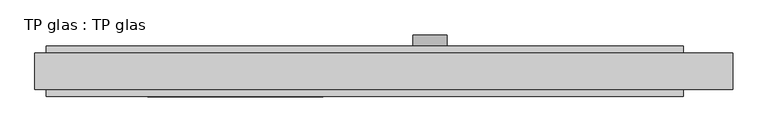
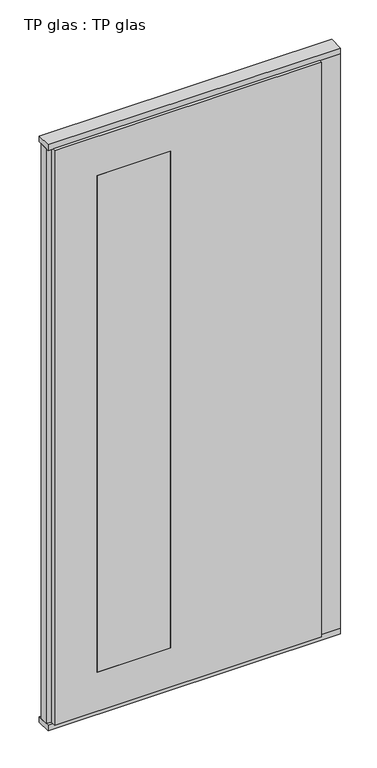
"""IFC4 building model written with IfcOpenShell, lengths in millimetres: plate geometry, TP glas : TP glas."""

from ifc_helpers import new_model, si_unit, point, frame, frame_2d, origin, origin_with_axes, place, context, project, spatial, polyline, circle_curve, trimmed, segment, composite_curve, outline, extrude, faceted_brep, source, transform, mapped, element, save


def tp_glas_tp_glas_cf4a09a2(model_context):
    return source(origin(), model_context, "Body", "SolidModel", [
        faceted_brep([(-600.0, 22.9993165, 25.0), (-600.0, 22.9993165, 2602.0), (-600.0, 45.0, 2602.0), (-600.0, 45.0, 25.0), (-620.0, 17.6401049, 25.0), (-620.0, 17.6401049, 2602.0), (-620.0, -17.6401049, 25.0), (-620.0, -17.6401049, 2602.0), (-600.0, -22.9993165, 25.0), (-600.0, -22.9993165, 2602.0), (-600.0, -45.0, 25.0), (-600.0, -45.0, 2602.0), (532.0507813, -45.0, 25.0), (532.0507813, 45.0, 25.0), (532.0507813, 30.5, 25.0), (620.0, 30.5, 25.0), (620.0, -30.5, 25.0), (532.0507813, -30.5, 25.0), (532.0507813, -30.5, 2602.0), (532.0507813, -45.0, 2602.0), (620.0, -30.5, 2602.0), (620.0, 30.5, 2602.0), (532.0507813, 30.5, 2602.0), (532.0507813, 45.0, 2602.0), (-420.0, 45.0, 2427.0), (-420.0, 45.0, 200.0), (-107.9492187, 45.0, 200.0), (-107.9492187, 45.0, 2427.0), (-107.9492187, -45.0, 2427.0), (-107.9492187, -45.0, 200.0), (-420.0, -45.0, 200.0), (-420.0, -45.0, 2427.0)], [[[0, 1, 2, 3]], [[4, 5, 1, 0]], [[6, 7, 5, 4]], [[8, 9, 7, 6]], [[10, 11, 9, 8]], [[12, 10, 8, 6, 4, 0, 3, 13, 14, 15, 16, 17]], [[17, 18, 19, 12]], [[16, 20, 18, 17]], [[15, 21, 20, 16]], [[14, 22, 21, 15]], [[13, 23, 22, 14]], [[3, 2, 23, 13], [24, 25, 26, 27]], [[11, 10, 12, 19], [28, 29, 30, 31]], [[23, 2, 1, 5, 7, 9, 11, 19, 18, 20, 21, 22]], [[28, 31, 24, 27]], [[31, 30, 25, 24]], [[30, 29, 26, 25]], [[27, 26, 29, 28]]]),
        extrude(outline(polyline([(-620.0, 32.0), (620.0, 32.0), (620.0, -32.0), (-620.0, -32.0), (-620.0, 32.0)])), origin_with_axes(), (0.0, 0.0, 1.0), 25.0),
        extrude(outline(polyline([(-620.0, 32.0), (620.0, 32.0), (620.0, -32.0), (-620.0, -32.0), (-620.0, 32.0)])), frame((0.0, 0.0, 2602.0), z_axis=(0.0, 0.0, 1.0), x_axis=(1.0, 0.0, 0.0)), (0.0, 0.0, 1.0), 25.0),
        extrude(outline(composite_curve([segment(trimmed(circle_curve(frame_2d((1040.0, 82.0507812)), 30.0), [point((1040.0, 112.0507813))], [point((1040.0, 52.0507812))], False, "CARTESIAN"), True, "CONTINUOUS"), segment(trimmed(circle_curve(frame_2d((1040.0, 82.0507812)), 30.0), [point((1040.0, 52.0507812))], [point((1040.0, 112.0507813))], False, "CARTESIAN"), True, "CONTINUOUS")], self_intersect=False)), frame((0.0, 45.0, 0.0), z_axis=(0.0, 1.0, 0.0), x_axis=(0.0, 0.0, 1.0)), (0.0, 0.0, 1.0), 20.0),
        extrude(outline(polyline([(-107.9492187, 45.0), (-107.9492187, -45.0), (-420.0, -45.0), (-420.0, 45.0), (-107.9492187, 45.0)])), frame((0.0, 0.0, 200.0), z_axis=(0.0, 0.0, 1.0), x_axis=(1.0, 0.0, 0.0)), (0.0, 0.0, 1.0), 2227.0),
    ])


if __name__ == "__main__":
    model = new_model("IFC4")
    model_context = context("Model", 3, world=origin())
    ifc_project = project(units=[si_unit("LENGTHUNIT", "METRE", prefix="MILLI")], contexts=[model_context])
    site = spatial("IfcSite", under=ifc_project)
    building = spatial("IfcBuilding", under=site)
    placement = place(None, origin())
    tp_glas_tp_glas_shape = tp_glas_tp_glas_cf4a09a2(model_context)
    element("IfcPlate", 1, ObjectType="TP glas : TP glas", at=placement, inside=building, context=model_context, shape_type="MappedRepresentation", body=[
        mapped(tp_glas_tp_glas_shape, transform((0.0, 0.0, 0.0), x_axis=(1.0, 0.0, 0.0), y_axis=(0.0, 1.0, 0.0), z_axis=(0.0, 0.0, 1.0))),
    ])
    save(model, "model.ifc")
